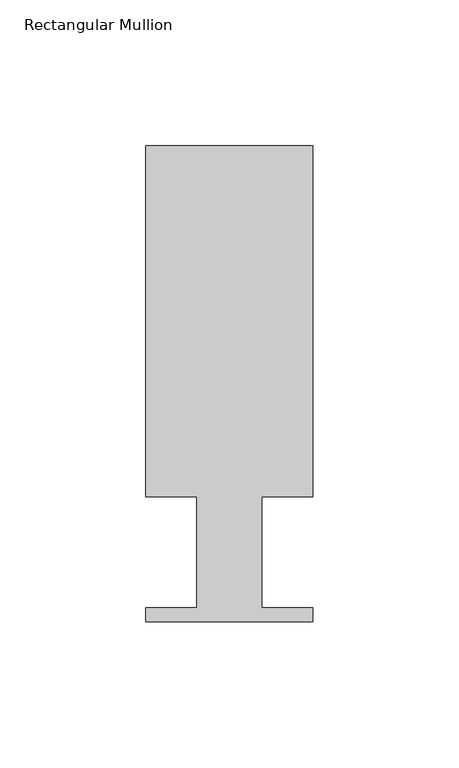
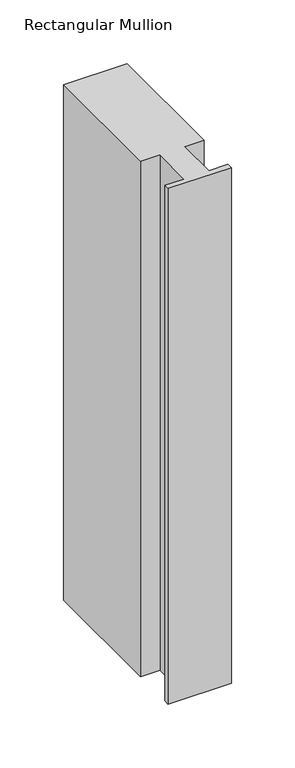
"""IFC4 building model written with IfcOpenShell, lengths in millimetres: member geometry, Rectangular Mullion."""

from ifc_helpers import new_model, si_unit, frame, origin, place, context, project, spatial, polyline, outline, extrude, source, transform, mapped, element, save


def rectangular_mullion_fb0d781a(model_context):
    return source(origin(), model_context, "Body", "SweptSolid", [
        extrude(outline(polyline([(0.0, 151.892), (0.0, 31.75), (-17.4752, 31.75), (-17.4752, -6.35), (0.0, -6.35), (0.0, -11.176), (-57.15, -11.176), (-57.15, -6.35), (-39.6875, -6.35), (-39.6875, 31.75), (-57.15, 31.75), (-57.15, 151.892), (0.0, 151.892)])), frame((0.0, 0.0, -492.1377), z_axis=(0.0, 0.0, 1.0), x_axis=(1.0, 0.0, 0.0)), (0.0, 0.0, 1.0), 492.1377),
    ])


if __name__ == "__main__":
    model = new_model("IFC4")
    model_context = context("Model", 3, world=origin())
    ifc_project = project(units=[si_unit("LENGTHUNIT", "METRE", prefix="MILLI")], contexts=[model_context])
    site = spatial("IfcSite", under=ifc_project)
    building = spatial("IfcBuilding", under=site)
    placement = place(None, origin())
    rectangular_mullion_shape = rectangular_mullion_fb0d781a(model_context)
    element("IfcMember", 1, ObjectType="Rectangular Mullion", at=placement, inside=building, context=model_context, shape_type="MappedRepresentation", body=[
        mapped(rectangular_mullion_shape, transform((0.0, 0.0, 0.0), x_axis=(1.0, 0.0, 0.0), y_axis=(0.0, 1.0, 0.0), z_axis=(0.0, 0.0, 1.0))),
    ])
    save(model, "model.ifc")
